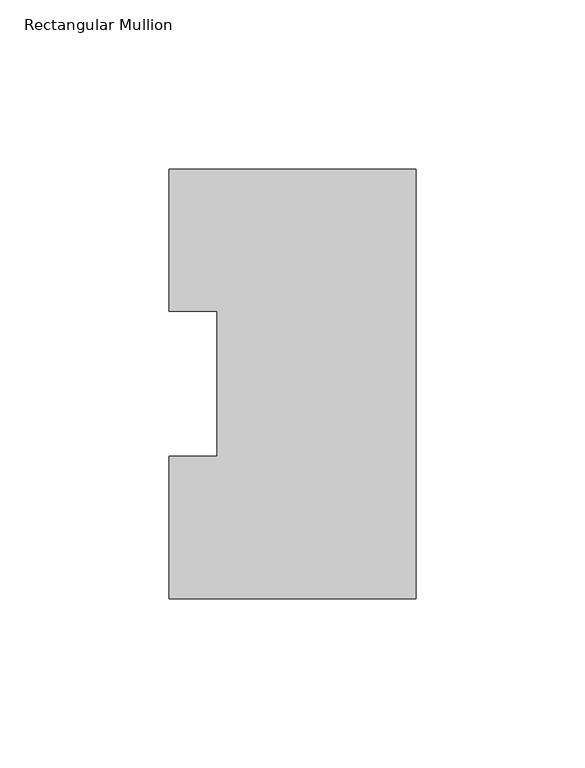
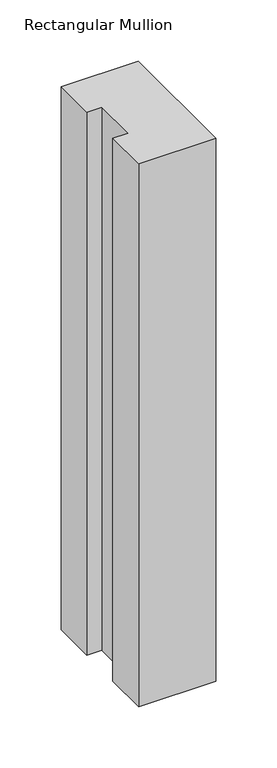
"""IFC4 building model written with IfcOpenShell, lengths in millimetres: member geometry, Rectangular Mullion."""

from ifc_helpers import new_model, si_unit, frame, origin, place, context, project, spatial, polyline, outline, extrude, source, transform, mapped, element, save


def rectangular_mullion_85d08417(model_context):
    return source(origin(), model_context, "Body", "SweptSolid", [
        extrude(outline(polyline([(0.0, 126.7086937), (0.0, -0.2913063), (-73.025, -0.2913063), (-73.025, 41.7837937), (-58.7375, 41.7837937), (-58.7375, 84.6335938), (-73.025, 84.6335938), (-73.025, 126.7086937), (0.0, 126.7086937)])), frame((0.0, 0.0, -542.925), z_axis=(0.0, 0.0, 1.0), x_axis=(1.0, 0.0, 0.0)), (0.0, 0.0, 1.0), 542.925),
    ])


if __name__ == "__main__":
    model = new_model("IFC4")
    model_context = context("Model", 3, world=origin())
    ifc_project = project(units=[si_unit("LENGTHUNIT", "METRE", prefix="MILLI")], contexts=[model_context])
    site = spatial("IfcSite", under=ifc_project)
    building = spatial("IfcBuilding", under=site)
    placement = place(None, origin())
    rectangular_mullion_shape = rectangular_mullion_85d08417(model_context)
    element("IfcMember", 1, ObjectType="Rectangular Mullion", at=placement, inside=building, context=model_context, shape_type="MappedRepresentation", body=[
        mapped(rectangular_mullion_shape, transform((0.0, 0.0, 0.0), x_axis=(1.0, 0.0, 0.0), y_axis=(0.0, 1.0, 0.0), z_axis=(0.0, 0.0, 1.0))),
    ])
    save(model, "model.ifc")
